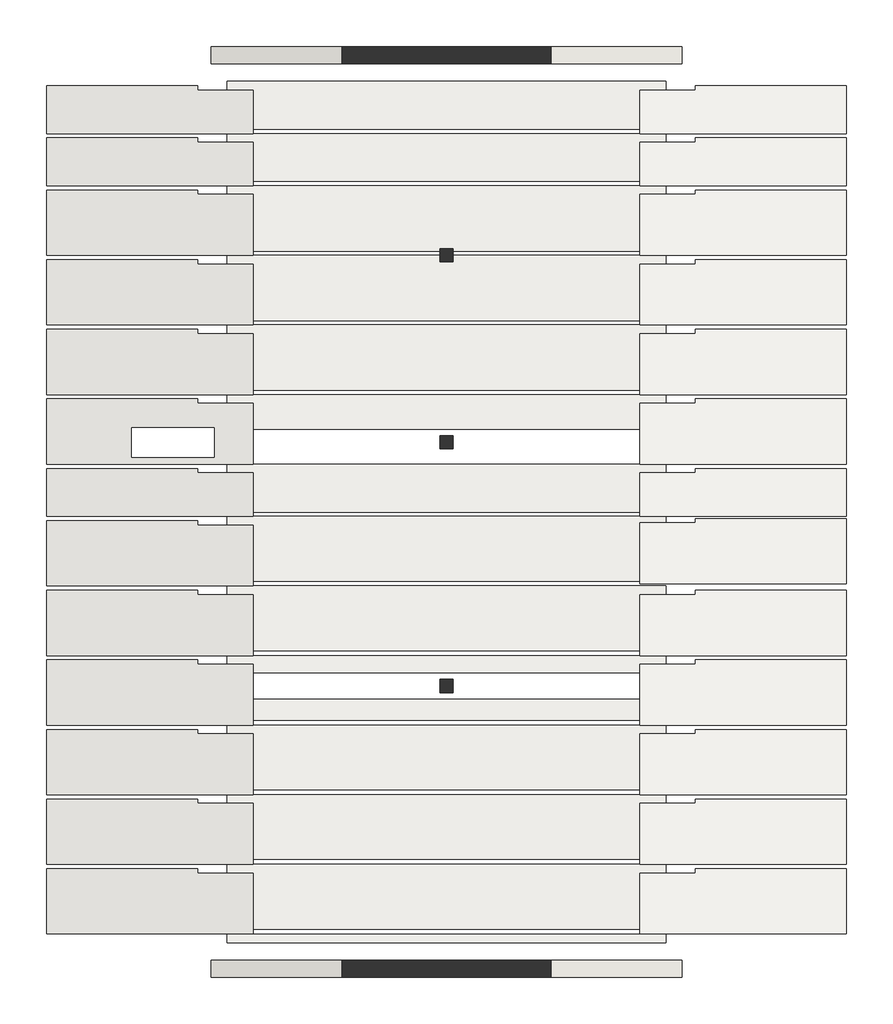
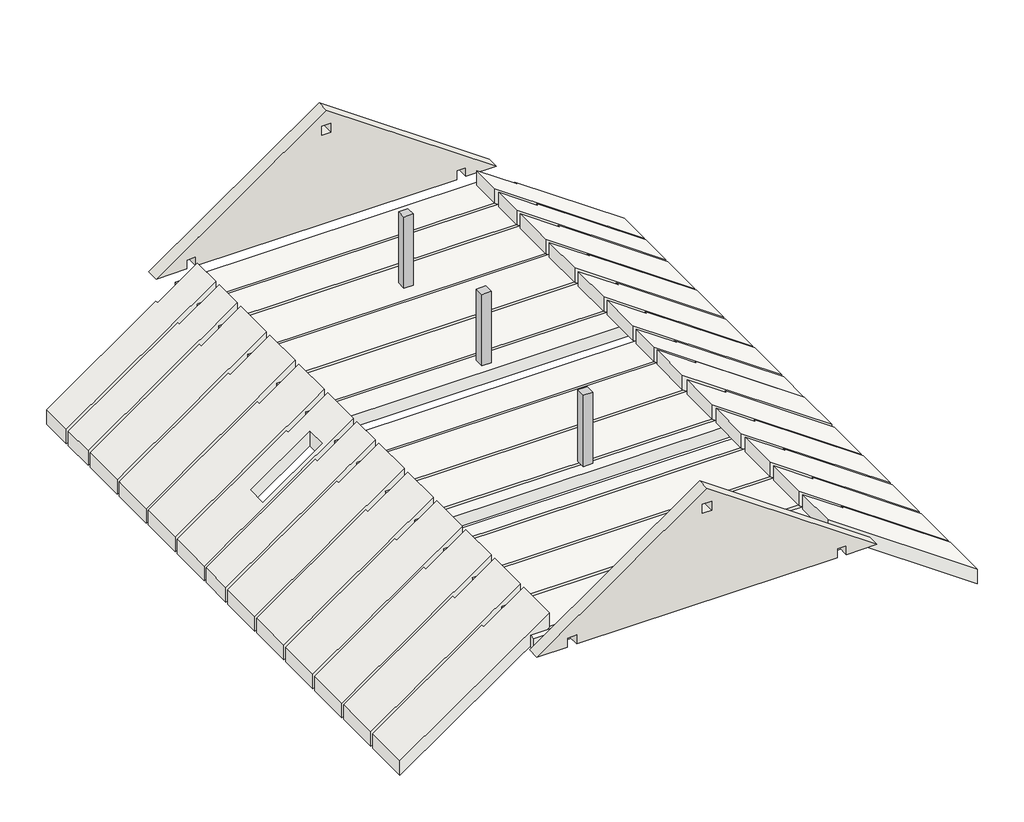
# One storey: 27 slabs, 3 columns, 2 walls.
"""IFC4 building model written with IfcOpenShell, lengths in millimetres."""

import ifcopenshell
import ifcopenshell.guid

model = None  # the IFC model being written
_history = None  # IfcOwnerHistory: only IFC2X3 demands one
_inside = {}  # id of a spatial element -> (the spatial element, [elements in it])
_under = {}  # id of a project, library or spatial element -> (it, [spatial elements below it])
_declared = {}  # id of a project -> (the project, [libraries it declares])
_typed = {}  # id of a type object -> (the type object, [elements of that type])
_made_of = {}  # id of a material, layer set ... -> (it, [elements and type objects made of it])


def new_model(schema):
    """Start an empty IFC model of exactly this schema.

    Asked for "IFC4X3", IfcOpenShell would pick the latest addendum, in which some entities
    have other attributes; the version numbers below select the first issue.
    IFC2X3 requires an IfcOwnerHistory on every rooted entity: one is made here for all.
    """
    global model, _history
    if schema == "IFC4X3":
        model = ifcopenshell.file(schema_version=(4, 3, 0, 0))
    else:
        model = ifcopenshell.file(schema=schema)
    _inside.clear()
    _under.clear()
    _declared.clear()
    _typed.clear()
    _made_of.clear()
    _history = None
    if model.schema == "IFC2X3":
        org = make("IfcOrganization", Name="unknown")
        user = make(
            "IfcPersonAndOrganization",
            ThePerson=make("IfcPerson", FamilyName="unknown"),
            TheOrganization=org,
        )
        app = make(
            "IfcApplication",
            ApplicationDeveloper=org,
            Version="unknown",
            ApplicationFullName="unknown",
            ApplicationIdentifier="unknown",
        )
        _history = make(
            "IfcOwnerHistory",
            OwningUser=user,
            OwningApplication=app,
            ChangeAction="ADDED",
            CreationDate=0,
        )
    return model


def make(cls, **values):
    """One entity of the class cls with the attributes given. An attribute that is None is left unset."""
    return model.create_entity(
        cls, **{name: value for name, value in values.items() if value is not None}
    )


def rooted(cls, **values):
    """An entity with a GlobalId (a new one), such as an element, a storey or a relation."""
    return make(cls, GlobalId=ifcopenshell.guid.new(), OwnerHistory=_history, **values)


def si_unit(unit_type, name, prefix=None):
    """IfcSIUnit, for example si_unit("LENGTHUNIT", "METRE", prefix="MILLI")."""
    return make("IfcSIUnit", UnitType=unit_type, Prefix=prefix, Name=name)


def assignment(units):
    """IfcUnitAssignment: the units of a project."""
    return None if units is None else make("IfcUnitAssignment", Units=units)


def point(xyz):
    """IfcCartesianPoint."""
    return None if xyz is None else make("IfcCartesianPoint", Coordinates=xyz)


def direction(xyz):
    """IfcDirection."""
    return None if xyz is None else make("IfcDirection", DirectionRatios=xyz)


def frame(location, z_axis=None, x_axis=None):
    """IfcAxis2Placement3D, a coordinate frame: its origin and axes. An axis left out is left unset."""
    return make(
        "IfcAxis2Placement3D",
        Location=point(location),
        Axis=direction(z_axis),
        RefDirection=direction(x_axis),
    )


def origin():
    """The frame at (0, 0, 0) with its axes left unset."""
    return frame((0.0, 0.0, 0.0))


def place(relative_to, where):
    """IfcLocalPlacement: puts the frame where relative to a parent placement (None: the world)."""
    return make(
        "IfcLocalPlacement", PlacementRelTo=relative_to, RelativePlacement=where
    )


def context(
    kind, dimensions, precision=None, world=None, true_north=None, identifier=None
):
    """IfcGeometricRepresentationContext, for example the 3D "Model" context."""
    return make(
        "IfcGeometricRepresentationContext",
        ContextIdentifier=identifier,
        ContextType=kind,
        CoordinateSpaceDimension=dimensions,
        Precision=precision,
        WorldCoordinateSystem=world,
        TrueNorth=true_north,
    )


def project(units=None, contexts=None):
    """IfcProject with its units and contexts."""
    return rooted(
        "IfcProject",
        Name="project",
        RepresentationContexts=contexts,
        UnitsInContext=assignment(units),
    )


def spatial(cls, under=None, at=None, **own):
    """A site, building, storey or space (cls), placed at a placement, below another one or the project."""
    s = rooted(cls, ObjectPlacement=at, **own)
    if under is not None:
        _under.setdefault(under.id(), (under, []))[1].append(s)
    return s


def polyline(points):
    """IfcPolyline through the points."""
    return make("IfcPolyline", Points=[point(p) for p in points])


def outline(outer, holes=None, kind="AREA"):
    """IfcArbitraryClosedProfileDef: a profile drawn as a closed curve; with holes, ...WithVoids."""
    if holes is None:
        return make("IfcArbitraryClosedProfileDef", ProfileType=kind, OuterCurve=outer)
    return make(
        "IfcArbitraryProfileDefWithVoids",
        ProfileType=kind,
        OuterCurve=outer,
        InnerCurves=holes,
    )


def extrude(swept, where, along, depth):
    """IfcExtrudedAreaSolid: the profile swept, set in the frame where, extruded along a direction by depth."""
    return make(
        "IfcExtrudedAreaSolid",
        SweptArea=swept,
        Position=where,
        ExtrudedDirection=direction(along),
        Depth=depth,
    )


def faces_of(points, faces, orient=None, outer=None):
    """IfcFace entities. A face is a list of loops; a loop is a list of indices into points, from 0.

    orient and outer hold one flag for each loop. By default every Orientation is true, the
    first loop of a face is its IfcFaceOuterBound and the others are IfcFaceBound.
    """
    made = []
    for i, loops in enumerate(faces):
        bounds = []
        for j, loop in enumerate(loops):
            is_outer = j == 0 if outer is None else outer[i][j]
            bounds.append(
                make(
                    "IfcFaceOuterBound" if is_outer else "IfcFaceBound",
                    Bound=make("IfcPolyLoop", Polygon=[points[k] for k in loop]),
                    Orientation=True if orient is None else orient[i][j],
                )
            )
        made.append(make("IfcFace", Bounds=bounds))
    return made


def faceted_brep(points, faces, orient=None, outer=None, voids=None):
    """IfcFacetedBrep: a solid bounded by flat faces; with voids (closed shells), ...WithVoids."""
    shared = [point(p) for p in points]
    hull = make("IfcClosedShell", CfsFaces=faces_of(shared, faces, orient, outer))
    if voids is None:
        return make("IfcFacetedBrep", Outer=hull)
    return make(
        "IfcFacetedBrepWithVoids",
        Outer=hull,
        Voids=[
            make(cls, CfsFaces=faces_of(shared, fs, o, b)) for cls, fs, o, b in voids
        ],
    )


def shape(context_of_items, identifier, shape_type, items):
    """IfcShapeRepresentation: the items that make up one representation, for example the "Body"."""
    return make(
        "IfcShapeRepresentation",
        ContextOfItems=context_of_items,
        RepresentationIdentifier=identifier,
        RepresentationType=shape_type,
        Items=items,
    )


def made_of(thing, what):
    """Note that an element or type object is made of a material, layer set ...; save() writes the relation."""
    if what is not None:
        _made_of.setdefault(what.id(), (what, []))[1].append(thing)
    return thing


def element(
    cls,
    number,
    at=None,
    inside=None,
    cuts=None,
    type_object=None,
    material=None,
    context=None,
    identifier="Body",
    shape_type=None,
    held_by="IfcProductDefinitionShape",
    body=None,
    shapes=None,
    **own,
):
    """One element of the class cls, such as IfcWall. Its Tag is "e" and its number.

    at: its placement. inside: the storey or other place that contains it. cuts: it is an
    opening in that element (IfcRelVoidsElement). A single representation is given by context,
    identifier, shape_type and body (its items); several are given by shapes. held_by: the class
    of the entity that holds the representations. save() writes the other relations.
    """
    e = rooted(cls, Tag="e%d" % number, ObjectPlacement=at, **own)
    if body is not None:
        shapes = [shape(context, identifier, shape_type, body)]
    if shapes is not None:
        e.Representation = make(held_by, Representations=shapes)
    if inside is not None:
        _inside.setdefault(inside.id(), (inside, []))[1].append(e)
    if cuts is not None:
        rooted(
            "IfcRelVoidsElement", RelatingBuildingElement=cuts, RelatedOpeningElement=e
        )
    if type_object is not None:
        _typed.setdefault(type_object.id(), (type_object, []))[1].append(e)
    return made_of(e, material)


def aggregate(whole, parts):
    """IfcRelAggregates: a whole, such as a stair, and the parts it consists of."""
    return rooted("IfcRelAggregates", RelatingObject=whole, RelatedObjects=parts)


def save(model, path):
    """Write the relations noted so far, then the file.

    IfcRelAggregates (storeys below a building ...), IfcRelContainedInSpatialStructure (elements
    in a storey), IfcRelDefinesByType, IfcRelAssociatesMaterial and IfcRelDeclares: one each for
    every whole, place, type object, material and project.
    """
    for whole, parts in _under.values():
        aggregate(whole, parts)
    for where, things in _inside.values():
        rooted(
            "IfcRelContainedInSpatialStructure",
            RelatedElements=things,
            RelatingStructure=where,
        )
    for kind, things in _typed.values():
        rooted("IfcRelDefinesByType", RelatedObjects=things, RelatingType=kind)
    for what, things in _made_of.values():
        rooted("IfcRelAssociatesMaterial", RelatedObjects=things, RelatingMaterial=what)
    for by, libraries in _declared.values():
        rooted("IfcRelDeclares", RelatingContext=by, RelatedDefinitions=libraries)
    model.write(path)


model = new_model("IFC4")

# Units and contexts
model_context = context("Model", 3, world=origin())
ifc_project = project(units=[si_unit("LENGTHUNIT", "METRE", prefix="MILLI")], contexts=[model_context])

# Site, building, storey
site = spatial("IfcSite", under=ifc_project)
building = spatial("IfcBuilding", under=site)
storey = spatial("IfcBuildingStorey", under=building, Elevation=6100.0)

# Columns
placement = place(None, origin())
element("IfcColumn", 1, at=placement, inside=storey, context=model_context, shape_type="SweptSolid", body=[
    extrude(outline(polyline([(898.4242865, 870.3521611), (748.4242865, 870.3521611), (748.4242865, 1020.3521611), (898.4242865, 1020.3521611), (898.4242865, 870.3521611)])), frame((0.0, 0.0, 6550.0), z_axis=(0.0, 0.0, 1.0), x_axis=(1.0, 0.0, 0.0)), (0.0, 0.0, 1.0), 1200.0),
])
element("IfcColumn", 2, at=placement, inside=storey, context=model_context, shape_type="SweptSolid", body=[
    extrude(outline(polyline([(898.4242865, -1929.6478389), (748.4242865, -1929.6478389), (748.4242865, -1779.6478389), (898.4242865, -1779.6478389), (898.4242865, -1929.6478389)])), frame((0.0, 0.0, 6550.0), z_axis=(0.0, 0.0, 1.0), x_axis=(1.0, 0.0, 0.0)), (0.0, 0.0, 1.0), 1200.0),
])
element("IfcColumn", 3, at=placement, inside=storey, context=model_context, shape_type="SweptSolid", body=[
    extrude(outline(polyline([(898.4242865, 3020.3521611), (748.4242865, 3020.3521611), (748.4242865, 3170.3521611), (898.4242865, 3170.3521611), (898.4242865, 3020.3521611)])), frame((0.0, 0.0, 6550.0), z_axis=(0.0, 0.0, 1.0), x_axis=(1.0, 0.0, 0.0)), (0.0, 0.0, 1.0), 1200.0),
])

# Slabs
element("IfcSlab", 4, at=placement, inside=storey, context=model_context, shape_type="Brep", body=[
    faceted_brep([(-2036.5757135, 5045.3521611, 5839.2132955), (-2036.5757135, 4995.3521611, 5839.2132955), (-1401.5757135, 4995.3521611, 6283.8450822), (-1401.5757135, 4495.3521611, 6283.8450822), (-3776.5757135, 4495.3521611, 4620.852179), (-3776.5757135, 5045.3521611, 4620.852179), (-2036.5757135, 5045.3521611, 6083.3682132), (-3776.5757135, 5045.3521611, 4865.0070968), (-3776.5757135, 4495.3521611, 4865.0070968), (-1401.5757135, 4495.3521611, 6528.0), (-1401.5757135, 4995.3521611, 6528.0), (-2036.5757135, 4995.3521611, 6083.3682132)], [[[0, 1, 2, 3, 4, 5]], [[6, 7, 8, 9, 10, 11]], [[3, 2, 10, 9]], [[5, 4, 8, 7]], [[0, 5, 7, 6]], [[1, 0, 6, 11]], [[2, 1, 11, 10]], [[4, 3, 9, 8]]]),
])
element("IfcSlab", 5, at=placement, inside=storey, context=model_context, shape_type="Brep", body=[
    faceted_brep([(-2036.5757135, 4445.3521611, 5839.2132955), (-2036.5757135, 4395.3521611, 5839.2132955), (-1401.5757135, 4395.3521611, 6283.8450822), (-1401.5757135, 3895.3521611, 6283.8450822), (-3776.5757135, 3895.3521611, 4620.852179), (-3776.5757135, 4445.3521611, 4620.852179), (-2036.5757135, 4445.3521611, 6083.3682132), (-3776.5757135, 4445.3521611, 4865.0070968), (-3776.5757135, 3895.3521611, 4865.0070968), (-1401.5757135, 3895.3521611, 6528.0), (-1401.5757135, 4395.3521611, 6528.0), (-2036.5757135, 4395.3521611, 6083.3682132)], [[[0, 1, 2, 3, 4, 5]], [[6, 7, 8, 9, 10, 11]], [[3, 2, 10, 9]], [[5, 4, 8, 7]], [[0, 5, 7, 6]], [[1, 0, 6, 11]], [[2, 1, 11, 10]], [[4, 3, 9, 8]]]),
])
element("IfcSlab", 6, at=placement, inside=storey, context=model_context, shape_type="Brep", body=[
    faceted_brep([(3683.4242865, 5045.3521611, 5839.2132955), (5423.4242865, 5045.3521611, 4620.852179), (5423.4242865, 4495.3521611, 4620.852179), (3048.4242865, 4495.3521611, 6283.8450822), (3048.4242865, 4995.3521611, 6283.8450822), (3683.4242865, 4995.3521611, 5839.2132955), (3683.4242865, 5045.3521611, 6083.3682132), (3683.4242865, 4995.3521611, 6083.3682132), (3048.4242865, 4995.3521611, 6528.0), (3048.4242865, 4495.3521611, 6528.0), (5423.4242865, 4495.3521611, 4865.0070968), (5423.4242865, 5045.3521611, 4865.0070968)], [[[0, 1, 2, 3, 4, 5]], [[6, 7, 8, 9, 10, 11]], [[4, 3, 9, 8]], [[2, 1, 11, 10]], [[1, 0, 6, 11]], [[0, 5, 7, 6]], [[5, 4, 8, 7]], [[3, 2, 10, 9]]]),
])
element("IfcSlab", 7, at=placement, inside=storey, context=model_context, shape_type="Brep", body=[
    faceted_brep([(3683.4242865, 4445.3521611, 5839.2132955), (5423.4242865, 4445.3521611, 4620.852179), (5423.4242865, 3895.3521611, 4620.852179), (3048.4242865, 3895.3521611, 6283.8450822), (3048.4242865, 4395.3521611, 6283.8450822), (3683.4242865, 4395.3521611, 5839.2132955), (3683.4242865, 4445.3521611, 6083.3682132), (3683.4242865, 4395.3521611, 6083.3682132), (3048.4242865, 4395.3521611, 6528.0), (3048.4242865, 3895.3521611, 6528.0), (5423.4242865, 3895.3521611, 4865.0070968), (5423.4242865, 4445.3521611, 4865.0070968)], [[[0, 1, 2, 3, 4, 5]], [[6, 7, 8, 9, 10, 11]], [[4, 3, 9, 8]], [[2, 1, 11, 10]], [[1, 0, 6, 11]], [[0, 5, 7, 6]], [[5, 4, 8, 7]], [[3, 2, 10, 9]]]),
])
element("IfcSlab", 8, at=placement, inside=storey, context=model_context, shape_type="Brep", body=[
    faceted_brep([(-2036.5757135, 1445.3521611, 5839.2132955), (-2036.5757135, 1395.3521611, 5839.2132955), (-1401.5757135, 1395.3521611, 6283.8450822), (-1401.5757135, 695.3521611, 6283.8450822), (-3776.5757135, 695.3521611, 4620.852179), (-3776.5757135, 1445.3521611, 4620.852179), (-1851.5757135, 1115.3521611, 5968.7516901), (-2796.5757135, 1115.3521611, 5307.0555664), (-2796.5757135, 775.3521611, 5307.0555664), (-1851.5757135, 775.3521611, 5968.7516901), (-2036.5757135, 1445.3521611, 6083.3682132), (-3776.5757135, 1445.3521611, 4865.0070968), (-3776.5757135, 695.3521611, 4865.0070968), (-1401.5757135, 695.3521611, 6528.0), (-1401.5757135, 1395.3521611, 6528.0), (-2036.5757135, 1395.3521611, 6083.3682132), (-1851.5757135, 1115.3521611, 6212.9066078), (-1851.5757135, 775.3521611, 6212.9066078), (-2796.5757135, 775.3521611, 5551.2104842), (-2796.5757135, 1115.3521611, 5551.2104842)], [[[0, 1, 2, 3, 4, 5], [6, 7, 8, 9]], [[10, 11, 12, 13, 14, 15], [16, 17, 18, 19]], [[3, 2, 14, 13]], [[5, 4, 12, 11]], [[0, 5, 11, 10]], [[1, 0, 10, 15]], [[2, 1, 15, 14]], [[4, 3, 13, 12]], [[7, 6, 16, 19]], [[8, 7, 19, 18]], [[9, 8, 18, 17]], [[6, 9, 17, 16]]]),
])
element("IfcSlab", 9, at=placement, inside=storey, context=model_context, shape_type="Brep", body=[
    faceted_brep([(3683.4242865, -2354.6478389, 5839.2132955), (5423.4242865, -2354.6478389, 4620.852179), (5423.4242865, -3104.6478389, 4620.852179), (3048.4242865, -3104.6478389, 6283.8450822), (3048.4242865, -2404.6478389, 6283.8450822), (3683.4242865, -2404.6478389, 5839.2132955), (3683.4242865, -2354.6478389, 6083.3682132), (3683.4242865, -2404.6478389, 6083.3682132), (3048.4242865, -2404.6478389, 6528.0), (3048.4242865, -3104.6478389, 6528.0), (5423.4242865, -3104.6478389, 4865.0070968), (5423.4242865, -2354.6478389, 4865.0070968)], [[[0, 1, 2, 3, 4, 5]], [[6, 7, 8, 9, 10, 11]], [[4, 3, 9, 8]], [[2, 1, 11, 10]], [[1, 0, 6, 11]], [[0, 5, 7, 6]], [[5, 4, 8, 7]], [[3, 2, 10, 9]]]),
])
element("IfcSlab", 10, at=placement, inside=storey, context=model_context, shape_type="Brep", body=[
    faceted_brep([(-2036.5757135, -3954.6478389, 5839.2132955), (-2036.5757135, -4004.6478389, 5839.2132955), (-1401.5757135, -4004.6478389, 6283.8450822), (-1401.5757135, -4704.6478389, 6283.8450822), (-3776.5757135, -4704.6478389, 4620.852179), (-3776.5757135, -3954.6478389, 4620.852179), (-2036.5757135, -3954.6478389, 6083.3682132), (-3776.5757135, -3954.6478389, 4865.0070968), (-3776.5757135, -4704.6478389, 4865.0070968), (-1401.5757135, -4704.6478389, 6528.0), (-1401.5757135, -4004.6478389, 6528.0), (-2036.5757135, -4004.6478389, 6083.3682132)], [[[0, 1, 2, 3, 4, 5]], [[6, 7, 8, 9, 10, 11]], [[3, 2, 10, 9]], [[5, 4, 8, 7]], [[0, 5, 7, 6]], [[1, 0, 6, 11]], [[2, 1, 11, 10]], [[4, 3, 9, 8]]]),
])
element("IfcSlab", 11, at=placement, inside=storey, context=model_context, shape_type="Brep", body=[
    faceted_brep([(-2036.5757135, 645.3521611, 5839.2132955), (-2036.5757135, 595.3521611, 5839.2132955), (-1401.5757135, 595.3521611, 6283.8450822), (-1401.5757135, 95.3521611, 6283.8450822), (-3776.5757135, 95.3521611, 4620.852179), (-3776.5757135, 645.3521611, 4620.852179), (-2036.5757135, 645.3521611, 6083.3682132), (-3776.5757135, 645.3521611, 4865.0070968), (-3776.5757135, 95.3521611, 4865.0070968), (-1401.5757135, 95.3521611, 6528.0), (-1401.5757135, 595.3521611, 6528.0), (-2036.5757135, 595.3521611, 6083.3682132)], [[[0, 1, 2, 3, 4, 5]], [[6, 7, 8, 9, 10, 11]], [[3, 2, 10, 9]], [[5, 4, 8, 7]], [[0, 5, 7, 6]], [[1, 0, 6, 11]], [[2, 1, 11, 10]], [[4, 3, 9, 8]]]),
])
element("IfcSlab", 12, at=placement, inside=storey, context=model_context, shape_type="Brep", body=[
    faceted_brep([(3683.4242865, 645.3521611, 5839.2132955), (5423.4242865, 645.3521611, 4620.852179), (5423.4242865, 95.3521611, 4620.852179), (3048.4242865, 95.3521611, 6283.8450822), (3048.4242865, 595.3521611, 6283.8450822), (3683.4242865, 595.3521611, 5839.2132955), (3683.4242865, 645.3521611, 6083.3682132), (3683.4242865, 595.3521611, 6083.3682132), (3048.4242865, 595.3521611, 6528.0), (3048.4242865, 95.3521611, 6528.0), (5423.4242865, 95.3521611, 4865.0070968), (5423.4242865, 645.3521611, 4865.0070968)], [[[0, 1, 2, 3, 4, 5]], [[6, 7, 8, 9, 10, 11]], [[4, 3, 9, 8]], [[2, 1, 11, 10]], [[1, 0, 6, 11]], [[0, 5, 7, 6]], [[5, 4, 8, 7]], [[3, 2, 10, 9]]]),
])
element("IfcSlab", 13, at=placement, inside=storey, context=model_context, shape_type="SweptSolid", body=[
    extrude(outline(polyline([(3345.6807309, 145.3521611), (-1698.8321578, 145.3521611), (-1698.8321578, 695.3521611), (3345.6807309, 695.3521611), (3345.6807309, 145.3521611)])), frame((0.0, 0.0, 6050.0), z_axis=(0.0, 0.0, 1.0), x_axis=(1.0, 0.0, 0.0)), (0.0, 0.0, 1.0), 200.0),
    extrude(outline(polyline([(3345.6807309, 1095.3521611), (-1698.8321578, 1095.3521611), (-1698.8321578, 1495.3521611), (3345.6807309, 1495.3521611), (3345.6807309, 1095.3521611)])), frame((0.0, 0.0, 6050.0), z_axis=(0.0, 0.0, 1.0), x_axis=(1.0, 0.0, 0.0)), (0.0, 0.0, 1.0), 200.0),
    extrude(outline(polyline([(3345.6807309, 1545.3521611), (-1698.8321578, 1545.3521611), (-1698.8321578, 2295.3521611), (3345.6807309, 2295.3521611), (3345.6807309, 1545.3521611)])), frame((0.0, 0.0, 6050.0), z_axis=(0.0, 0.0, 1.0), x_axis=(1.0, 0.0, 0.0)), (0.0, 0.0, 1.0), 200.0),
    extrude(outline(polyline([(3345.6807309, 2345.3521611), (-1698.8321578, 2345.3521611), (-1698.8321578, 3095.3521611), (3345.6807309, 3095.3521611), (3345.6807309, 2345.3521611)])), frame((0.0, 0.0, 6050.0), z_axis=(0.0, 0.0, 1.0), x_axis=(1.0, 0.0, 0.0)), (0.0, 0.0, 1.0), 200.0),
    extrude(outline(polyline([(3345.6807309, 3145.3521611), (-1698.8321578, 3145.3521611), (-1698.8321578, 3895.3521611), (3345.6807309, 3895.3521611), (3345.6807309, 3145.3521611)])), frame((0.0, 0.0, 6050.0), z_axis=(0.0, 0.0, 1.0), x_axis=(1.0, 0.0, 0.0)), (0.0, 0.0, 1.0), 200.0),
    extrude(outline(polyline([(3345.6807309, 3945.3521611), (-1698.8321578, 3945.3521611), (-1698.8321578, 4495.3521611), (3345.6807309, 4495.3521611), (3345.6807309, 3945.3521611)])), frame((0.0, 0.0, 6050.0), z_axis=(0.0, 0.0, 1.0), x_axis=(1.0, 0.0, 0.0)), (0.0, 0.0, 1.0), 200.0),
    extrude(outline(polyline([(3345.6807309, 4545.3521611), (-1698.8321578, 4545.3521611), (-1698.8321578, 5095.3521611), (3345.6807309, 5095.3521611), (3345.6807309, 4545.3521611)])), frame((0.0, 0.0, 6050.0), z_axis=(0.0, 0.0, 1.0), x_axis=(1.0, 0.0, 0.0)), (0.0, 0.0, 1.0), 200.0),
    extrude(outline(polyline([(3345.6807309, 95.3521611), (3345.6807309, -648.5518389), (-1698.8321578, -648.5518389), (-1698.8321578, 95.3521611), (3345.6807309, 95.3521611)])), frame((0.0, 0.0, 6050.0), z_axis=(0.0, 0.0, 1.0), x_axis=(1.0, 0.0, 0.0)), (0.0, 0.0, 1.0), 200.0),
    extrude(outline(polyline([(3345.6807309, -704.6478389), (3345.6807309, -1448.5518389), (-1698.8321578, -1448.5518389), (-1698.8321578, -704.6478389), (3345.6807309, -704.6478389)])), frame((0.0, 0.0, 6050.0), z_axis=(0.0, 0.0, 1.0), x_axis=(1.0, 0.0, 0.0)), (0.0, 0.0, 1.0), 200.0),
    extrude(outline(polyline([(3345.6807309, -1504.6478389), (3345.6807309, -1704.6478389), (-1698.8321578, -1704.6478389), (-1698.8321578, -1504.6478389), (3345.6807309, -1504.6478389)])), frame((0.0, 0.0, 6050.0), z_axis=(0.0, 0.0, 1.0), x_axis=(1.0, 0.0, 0.0)), (0.0, 0.0, 1.0), 200.0),
    extrude(outline(polyline([(3345.6807309, -2304.6478389), (3345.6807309, -3048.5518389), (-1698.8321578, -3048.5518389), (-1698.8321578, -2304.6478389), (3345.6807309, -2304.6478389)])), frame((0.0, 0.0, 6050.0), z_axis=(0.0, 0.0, 1.0), x_axis=(1.0, 0.0, 0.0)), (0.0, 0.0, 1.0), 200.0),
    extrude(outline(polyline([(3345.6807309, -3104.6478389), (3345.6807309, -3848.5518389), (-1698.8321578, -3848.5518389), (-1698.8321578, -3104.6478389), (3345.6807309, -3104.6478389)])), frame((0.0, 0.0, 6050.0), z_axis=(0.0, 0.0, 1.0), x_axis=(1.0, 0.0, 0.0)), (0.0, 0.0, 1.0), 200.0),
    extrude(outline(polyline([(3345.6807309, -3904.6478389), (3345.6807309, -4648.5518389), (-1698.8321578, -4648.5518389), (-1698.8321578, -3904.6478389), (3345.6807309, -3904.6478389)])), frame((0.0, 0.0, 6050.0), z_axis=(0.0, 0.0, 1.0), x_axis=(1.0, 0.0, 0.0)), (0.0, 0.0, 1.0), 200.0),
    extrude(outline(polyline([(3345.6807309, -2248.5518389), (-1698.8321578, -2248.5518389), (-1698.8321578, -2004.6478389), (3345.6807309, -2004.6478389), (3345.6807309, -2248.5518389)])), frame((0.0, 0.0, 6050.0), z_axis=(0.0, 0.0, 1.0), x_axis=(1.0, 0.0, 0.0)), (0.0, 0.0, 1.0), 200.0),
    extrude(outline(polyline([(3345.6807309, -4710.7438389), (3345.6807309, -4804.6478389), (-1698.8321578, -4804.6478389), (-1698.8321578, -4710.7438389), (3345.6807309, -4710.7438389)])), frame((0.0, 0.0, 6050.0), z_axis=(0.0, 0.0, 1.0), x_axis=(1.0, 0.0, 0.0)), (0.0, 0.0, 1.0), 200.0),
])
element("IfcSlab", 14, at=placement, inside=storey, context=model_context, shape_type="Brep", body=[
    faceted_brep([(3683.4242865, -3154.6478389, 5839.2132955), (5423.4242865, -3154.6478389, 4620.852179), (5423.4242865, -3904.6478389, 4620.852179), (3048.4242865, -3904.6478389, 6283.8450822), (3048.4242865, -3204.6478389, 6283.8450822), (3683.4242865, -3204.6478389, 5839.2132955), (3683.4242865, -3154.6478389, 6083.3682132), (3683.4242865, -3204.6478389, 6083.3682132), (3048.4242865, -3204.6478389, 6528.0), (3048.4242865, -3904.6478389, 6528.0), (5423.4242865, -3904.6478389, 4865.0070968), (5423.4242865, -3154.6478389, 4865.0070968)], [[[0, 1, 2, 3, 4, 5]], [[6, 7, 8, 9, 10, 11]], [[4, 3, 9, 8]], [[2, 1, 11, 10]], [[1, 0, 6, 11]], [[0, 5, 7, 6]], [[5, 4, 8, 7]], [[3, 2, 10, 9]]]),
])
element("IfcSlab", 15, at=placement, inside=storey, context=model_context, shape_type="Brep", body=[
    faceted_brep([(3683.4242865, -3954.6478389, 5839.2132955), (5423.4242865, -3954.6478389, 4620.852179), (5423.4242865, -4704.6478389, 4620.852179), (3048.4242865, -4704.6478389, 6283.8450822), (3048.4242865, -4004.6478389, 6283.8450822), (3683.4242865, -4004.6478389, 5839.2132955), (3683.4242865, -3954.6478389, 6083.3682132), (3683.4242865, -4004.6478389, 6083.3682132), (3048.4242865, -4004.6478389, 6528.0), (3048.4242865, -4704.6478389, 6528.0), (5423.4242865, -4704.6478389, 4865.0070968), (5423.4242865, -3954.6478389, 4865.0070968)], [[[0, 1, 2, 3, 4, 5]], [[6, 7, 8, 9, 10, 11]], [[4, 3, 9, 8]], [[2, 1, 11, 10]], [[1, 0, 6, 11]], [[0, 5, 7, 6]], [[5, 4, 8, 7]], [[3, 2, 10, 9]]]),
])
element("IfcSlab", 16, at=placement, inside=storey, context=model_context, shape_type="Brep", body=[
    faceted_brep([(3683.4242865, -1554.6478389, 5839.2132955), (5423.4242865, -1554.6478389, 4620.852179), (5423.4242865, -2304.6478389, 4620.852179), (3048.4242865, -2304.6478389, 6283.8450822), (3048.4242865, -1604.6478389, 6283.8450822), (3683.4242865, -1604.6478389, 5839.2132955), (3683.4242865, -1554.6478389, 6083.3682132), (3683.4242865, -1604.6478389, 6083.3682132), (3048.4242865, -1604.6478389, 6528.0), (3048.4242865, -2304.6478389, 6528.0), (5423.4242865, -2304.6478389, 4865.0070968), (5423.4242865, -1554.6478389, 4865.0070968)], [[[0, 1, 2, 3, 4, 5]], [[6, 7, 8, 9, 10, 11]], [[4, 3, 9, 8]], [[2, 1, 11, 10]], [[1, 0, 6, 11]], [[0, 5, 7, 6]], [[5, 4, 8, 7]], [[3, 2, 10, 9]]]),
])
element("IfcSlab", 17, at=placement, inside=storey, context=model_context, shape_type="Brep", body=[
    faceted_brep([(3683.4242865, -754.6478389, 5839.2132955), (5423.4242865, -754.6478389, 4620.852179), (5423.4242865, -1504.6478389, 4620.852179), (3048.4242865, -1504.6478389, 6283.8450822), (3048.4242865, -804.6478389, 6283.8450822), (3683.4242865, -804.6478389, 5839.2132955), (3683.4242865, -754.6478389, 6083.3682132), (3683.4242865, -804.6478389, 6083.3682132), (3048.4242865, -804.6478389, 6528.0), (3048.4242865, -1504.6478389, 6528.0), (5423.4242865, -1504.6478389, 4865.0070968), (5423.4242865, -754.6478389, 4865.0070968)], [[[0, 1, 2, 3, 4, 5]], [[6, 7, 8, 9, 10, 11]], [[4, 3, 9, 8]], [[2, 1, 11, 10]], [[1, 0, 6, 11]], [[0, 5, 7, 6]], [[5, 4, 8, 7]], [[3, 2, 10, 9]]]),
])
element("IfcSlab", 18, at=placement, inside=storey, context=model_context, shape_type="Brep", body=[
    faceted_brep([(3683.4242865, 70.3521611, 5839.2132955), (5423.4242865, 70.3521611, 4620.852179), (5423.4242865, -679.6478389, 4620.852179), (3048.4242865, -679.6478389, 6283.8450822), (3048.4242865, 20.3521611, 6283.8450822), (3683.4242865, 20.3521611, 5839.2132955), (3683.4242865, 70.3521611, 6083.3682132), (3683.4242865, 20.3521611, 6083.3682132), (3048.4242865, 20.3521611, 6528.0), (3048.4242865, -679.6478389, 6528.0), (5423.4242865, -679.6478389, 4865.0070968), (5423.4242865, 70.3521611, 4865.0070968)], [[[0, 1, 2, 3, 4, 5]], [[6, 7, 8, 9, 10, 11]], [[4, 3, 9, 8]], [[2, 1, 11, 10]], [[1, 0, 6, 11]], [[0, 5, 7, 6]], [[5, 4, 8, 7]], [[3, 2, 10, 9]]]),
])
element("IfcSlab", 19, at=placement, inside=storey, context=model_context, shape_type="Brep", body=[
    faceted_brep([(3683.4242865, 1445.3521611, 5839.2132955), (5423.4242865, 1445.3521611, 4620.852179), (5423.4242865, 695.3521611, 4620.852179), (3048.4242865, 695.3521611, 6283.8450822), (3048.4242865, 1395.3521611, 6283.8450822), (3683.4242865, 1395.3521611, 5839.2132955), (3683.4242865, 1445.3521611, 6083.3682132), (3683.4242865, 1395.3521611, 6083.3682132), (3048.4242865, 1395.3521611, 6528.0), (3048.4242865, 695.3521611, 6528.0), (5423.4242865, 695.3521611, 4865.0070968), (5423.4242865, 1445.3521611, 4865.0070968)], [[[0, 1, 2, 3, 4, 5]], [[6, 7, 8, 9, 10, 11]], [[4, 3, 9, 8]], [[2, 1, 11, 10]], [[1, 0, 6, 11]], [[0, 5, 7, 6]], [[5, 4, 8, 7]], [[3, 2, 10, 9]]]),
])
element("IfcSlab", 20, at=placement, inside=storey, context=model_context, shape_type="Brep", body=[
    faceted_brep([(3683.4242865, 2245.3521611, 5839.2132955), (5423.4242865, 2245.3521611, 4620.852179), (5423.4242865, 1495.3521611, 4620.852179), (3048.4242865, 1495.3521611, 6283.8450822), (3048.4242865, 2195.3521611, 6283.8450822), (3683.4242865, 2195.3521611, 5839.2132955), (3683.4242865, 2245.3521611, 6083.3682132), (3683.4242865, 2195.3521611, 6083.3682132), (3048.4242865, 2195.3521611, 6528.0), (3048.4242865, 1495.3521611, 6528.0), (5423.4242865, 1495.3521611, 4865.0070968), (5423.4242865, 2245.3521611, 4865.0070968)], [[[0, 1, 2, 3, 4, 5]], [[6, 7, 8, 9, 10, 11]], [[4, 3, 9, 8]], [[2, 1, 11, 10]], [[1, 0, 6, 11]], [[0, 5, 7, 6]], [[5, 4, 8, 7]], [[3, 2, 10, 9]]]),
])
element("IfcSlab", 21, at=placement, inside=storey, context=model_context, shape_type="Brep", body=[
    faceted_brep([(3683.4242865, 3045.3521611, 5839.2132955), (5423.4242865, 3045.3521611, 4620.852179), (5423.4242865, 2295.3521611, 4620.852179), (3048.4242865, 2295.3521611, 6283.8450822), (3048.4242865, 2995.3521611, 6283.8450822), (3683.4242865, 2995.3521611, 5839.2132955), (3683.4242865, 3045.3521611, 6083.3682132), (3683.4242865, 2995.3521611, 6083.3682132), (3048.4242865, 2995.3521611, 6528.0), (3048.4242865, 2295.3521611, 6528.0), (5423.4242865, 2295.3521611, 4865.0070968), (5423.4242865, 3045.3521611, 4865.0070968)], [[[0, 1, 2, 3, 4, 5]], [[6, 7, 8, 9, 10, 11]], [[4, 3, 9, 8]], [[2, 1, 11, 10]], [[1, 0, 6, 11]], [[0, 5, 7, 6]], [[5, 4, 8, 7]], [[3, 2, 10, 9]]]),
])
element("IfcSlab", 22, at=placement, inside=storey, context=model_context, shape_type="Brep", body=[
    faceted_brep([(3683.4242865, 3845.3521611, 5839.2132955), (5423.4242865, 3845.3521611, 4620.852179), (5423.4242865, 3095.3521611, 4620.852179), (3048.4242865, 3095.3521611, 6283.8450822), (3048.4242865, 3795.3521611, 6283.8450822), (3683.4242865, 3795.3521611, 5839.2132955), (3683.4242865, 3845.3521611, 6083.3682132), (3683.4242865, 3795.3521611, 6083.3682132), (3048.4242865, 3795.3521611, 6528.0), (3048.4242865, 3095.3521611, 6528.0), (5423.4242865, 3095.3521611, 4865.0070968), (5423.4242865, 3845.3521611, 4865.0070968)], [[[0, 1, 2, 3, 4, 5]], [[6, 7, 8, 9, 10, 11]], [[4, 3, 9, 8]], [[2, 1, 11, 10]], [[1, 0, 6, 11]], [[0, 5, 7, 6]], [[5, 4, 8, 7]], [[3, 2, 10, 9]]]),
])
element("IfcSlab", 23, at=placement, inside=storey, context=model_context, shape_type="Brep", body=[
    faceted_brep([(-2036.5757135, -3154.6478389, 5839.2132955), (-2036.5757135, -3204.6478389, 5839.2132955), (-1401.5757135, -3204.6478389, 6283.8450822), (-1401.5757135, -3904.6478389, 6283.8450822), (-3776.5757135, -3904.6478389, 4620.852179), (-3776.5757135, -3154.6478389, 4620.852179), (-2036.5757135, -3154.6478389, 6083.3682132), (-3776.5757135, -3154.6478389, 4865.0070968), (-3776.5757135, -3904.6478389, 4865.0070968), (-1401.5757135, -3904.6478389, 6528.0), (-1401.5757135, -3204.6478389, 6528.0), (-2036.5757135, -3204.6478389, 6083.3682132)], [[[0, 1, 2, 3, 4, 5]], [[6, 7, 8, 9, 10, 11]], [[3, 2, 10, 9]], [[5, 4, 8, 7]], [[0, 5, 7, 6]], [[1, 0, 6, 11]], [[2, 1, 11, 10]], [[4, 3, 9, 8]]]),
])
element("IfcSlab", 24, at=placement, inside=storey, context=model_context, shape_type="Brep", body=[
    faceted_brep([(-2036.5757135, -2354.6478389, 5839.2132955), (-2036.5757135, -2404.6478389, 5839.2132955), (-1401.5757135, -2404.6478389, 6283.8450822), (-1401.5757135, -3104.6478389, 6283.8450822), (-3776.5757135, -3104.6478389, 4620.852179), (-3776.5757135, -2354.6478389, 4620.852179), (-2036.5757135, -2354.6478389, 6083.3682132), (-3776.5757135, -2354.6478389, 4865.0070968), (-3776.5757135, -3104.6478389, 4865.0070968), (-1401.5757135, -3104.6478389, 6528.0), (-1401.5757135, -2404.6478389, 6528.0), (-2036.5757135, -2404.6478389, 6083.3682132)], [[[0, 1, 2, 3, 4, 5]], [[6, 7, 8, 9, 10, 11]], [[3, 2, 10, 9]], [[5, 4, 8, 7]], [[0, 5, 7, 6]], [[1, 0, 6, 11]], [[2, 1, 11, 10]], [[4, 3, 9, 8]]]),
])
element("IfcSlab", 25, at=placement, inside=storey, context=model_context, shape_type="Brep", body=[
    faceted_brep([(-2036.5757135, -1554.6478389, 5839.2132955), (-2036.5757135, -1604.6478389, 5839.2132955), (-1401.5757135, -1604.6478389, 6283.8450822), (-1401.5757135, -2304.6478389, 6283.8450822), (-3776.5757135, -2304.6478389, 4620.852179), (-3776.5757135, -1554.6478389, 4620.852179), (-2036.5757135, -1554.6478389, 6083.3682132), (-3776.5757135, -1554.6478389, 4865.0070968), (-3776.5757135, -2304.6478389, 4865.0070968), (-1401.5757135, -2304.6478389, 6528.0), (-1401.5757135, -1604.6478389, 6528.0), (-2036.5757135, -1604.6478389, 6083.3682132)], [[[0, 1, 2, 3, 4, 5]], [[6, 7, 8, 9, 10, 11]], [[3, 2, 10, 9]], [[5, 4, 8, 7]], [[0, 5, 7, 6]], [[1, 0, 6, 11]], [[2, 1, 11, 10]], [[4, 3, 9, 8]]]),
])
element("IfcSlab", 26, at=placement, inside=storey, context=model_context, shape_type="Brep", body=[
    faceted_brep([(-2036.5757135, -754.6478389, 5839.2132955), (-2036.5757135, -804.6478389, 5839.2132955), (-1401.5757135, -804.6478389, 6283.8450822), (-1401.5757135, -1504.6478389, 6283.8450822), (-3776.5757135, -1504.6478389, 4620.852179), (-3776.5757135, -754.6478389, 4620.852179), (-2036.5757135, -754.6478389, 6083.3682132), (-3776.5757135, -754.6478389, 4865.0070968), (-3776.5757135, -1504.6478389, 4865.0070968), (-1401.5757135, -1504.6478389, 6528.0), (-1401.5757135, -804.6478389, 6528.0), (-2036.5757135, -804.6478389, 6083.3682132)], [[[0, 1, 2, 3, 4, 5]], [[6, 7, 8, 9, 10, 11]], [[3, 2, 10, 9]], [[5, 4, 8, 7]], [[0, 5, 7, 6]], [[1, 0, 6, 11]], [[2, 1, 11, 10]], [[4, 3, 9, 8]]]),
])
element("IfcSlab", 27, at=placement, inside=storey, context=model_context, shape_type="Brep", body=[
    faceted_brep([(-2036.5757135, 45.3521611, 5839.2132955), (-2036.5757135, -4.6478389, 5839.2132955), (-1401.5757135, -4.6478389, 6283.8450822), (-1401.5757135, -704.6478389, 6283.8450822), (-3776.5757135, -704.6478389, 4620.852179), (-3776.5757135, 45.3521611, 4620.852179), (-2036.5757135, 45.3521611, 6083.3682132), (-3776.5757135, 45.3521611, 4865.0070968), (-3776.5757135, -704.6478389, 4865.0070968), (-1401.5757135, -704.6478389, 6528.0), (-1401.5757135, -4.6478389, 6528.0), (-2036.5757135, -4.6478389, 6083.3682132)], [[[0, 1, 2, 3, 4, 5]], [[6, 7, 8, 9, 10, 11]], [[3, 2, 10, 9]], [[5, 4, 8, 7]], [[0, 5, 7, 6]], [[1, 0, 6, 11]], [[2, 1, 11, 10]], [[4, 3, 9, 8]]]),
])
element("IfcSlab", 28, at=placement, inside=storey, context=model_context, shape_type="Brep", body=[
    faceted_brep([(-2036.5757135, 2245.3521611, 5839.2132955), (-2036.5757135, 2195.3521611, 5839.2132955), (-1401.5757135, 2195.3521611, 6283.8450822), (-1401.5757135, 1495.3521611, 6283.8450822), (-3776.5757135, 1495.3521611, 4620.852179), (-3776.5757135, 2245.3521611, 4620.852179), (-2036.5757135, 2245.3521611, 6083.3682132), (-3776.5757135, 2245.3521611, 4865.0070968), (-3776.5757135, 1495.3521611, 4865.0070968), (-1401.5757135, 1495.3521611, 6528.0), (-1401.5757135, 2195.3521611, 6528.0), (-2036.5757135, 2195.3521611, 6083.3682132)], [[[0, 1, 2, 3, 4, 5]], [[6, 7, 8, 9, 10, 11]], [[3, 2, 10, 9]], [[5, 4, 8, 7]], [[0, 5, 7, 6]], [[1, 0, 6, 11]], [[2, 1, 11, 10]], [[4, 3, 9, 8]]]),
])
element("IfcSlab", 29, at=placement, inside=storey, context=model_context, shape_type="Brep", body=[
    faceted_brep([(-2036.5757135, 3045.3521611, 5839.2132955), (-2036.5757135, 2995.3521611, 5839.2132955), (-1401.5757135, 2995.3521611, 6283.8450822), (-1401.5757135, 2295.3521611, 6283.8450822), (-3776.5757135, 2295.3521611, 4620.852179), (-3776.5757135, 3045.3521611, 4620.852179), (-2036.5757135, 3045.3521611, 6083.3682132), (-3776.5757135, 3045.3521611, 4865.0070968), (-3776.5757135, 2295.3521611, 4865.0070968), (-1401.5757135, 2295.3521611, 6528.0), (-1401.5757135, 2995.3521611, 6528.0), (-2036.5757135, 2995.3521611, 6083.3682132)], [[[0, 1, 2, 3, 4, 5]], [[6, 7, 8, 9, 10, 11]], [[3, 2, 10, 9]], [[5, 4, 8, 7]], [[0, 5, 7, 6]], [[1, 0, 6, 11]], [[2, 1, 11, 10]], [[4, 3, 9, 8]]]),
])
element("IfcSlab", 30, at=placement, inside=storey, context=model_context, shape_type="Brep", body=[
    faceted_brep([(-2036.5757135, 3845.3521611, 5839.2132955), (-2036.5757135, 3795.3521611, 5839.2132955), (-1401.5757135, 3795.3521611, 6283.8450822), (-1401.5757135, 3095.3521611, 6283.8450822), (-3776.5757135, 3095.3521611, 4620.852179), (-3776.5757135, 3845.3521611, 4620.852179), (-2036.5757135, 3845.3521611, 6083.3682132), (-3776.5757135, 3845.3521611, 4865.0070968), (-3776.5757135, 3095.3521611, 4865.0070968), (-1401.5757135, 3095.3521611, 6528.0), (-1401.5757135, 3795.3521611, 6528.0), (-2036.5757135, 3795.3521611, 6083.3682132)], [[[0, 1, 2, 3, 4, 5]], [[6, 7, 8, 9, 10, 11]], [[3, 2, 10, 9]], [[5, 4, 8, 7]], [[0, 5, 7, 6]], [[1, 0, 6, 11]], [[2, 1, 11, 10]], [[4, 3, 9, 8]]]),
])

# Walls
element("IfcWall", 31, at=placement, inside=storey, context=model_context, shape_type="SweptSolid", body=[
    extrude(outline(polyline([(6250.0, 2898.4242865), (6400.0, 2898.4242865), (6400.0, 3048.4242865), (6250.0, 3048.4242865), (6250.0, 3532.3539408), (8146.8129644, 823.4242865), (6250.0, -1885.5053678), (6250.0, -1401.5757135), (6400.0, -1401.5757135), (6400.0, -1251.5757135), (6250.0, -1251.5757135), (6250.0, 2898.4242865)]), holes=[polyline([(7900.0, 748.4242865), (7900.0, 898.4242865), (7750.0, 898.4242865), (7750.0, 748.4242865), (7900.0, 748.4242865)])]), frame((0.0, -5204.6478389, 0.0), z_axis=(0.0, 1.0, 0.0), x_axis=(0.0, 0.0, 1.0)), (0.0, 0.0, 1.0), 200.0),
])
element("IfcWall", 32, at=placement, inside=storey, context=model_context, shape_type="SweptSolid", body=[
    extrude(outline(polyline([(6250.0, 2898.4242865), (6400.0, 2898.4242865), (6400.0, 3048.4242865), (6250.0, 3048.4242865), (6250.0, 3532.3539408), (8146.8129644, 823.4242865), (6250.0, -1885.5053678), (6250.0, -1401.5757135), (6400.0, -1401.5757135), (6400.0, -1251.5757135), (6250.0, -1251.5757135), (6250.0, 2898.4242865)]), holes=[polyline([(7900.0, 748.4242865), (7900.0, 898.4242865), (7750.0, 898.4242865), (7750.0, 748.4242865), (7900.0, 748.4242865)])]), frame((0.0, 5295.3521611, 0.0), z_axis=(0.0, 1.0, 0.0), x_axis=(0.0, 0.0, 1.0)), (0.0, 0.0, 1.0), 200.0),
])

save(model, "model.ifc")
